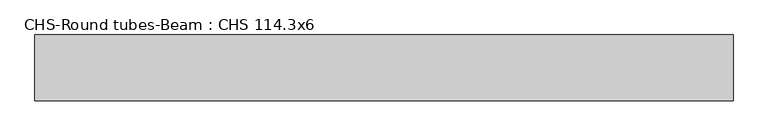
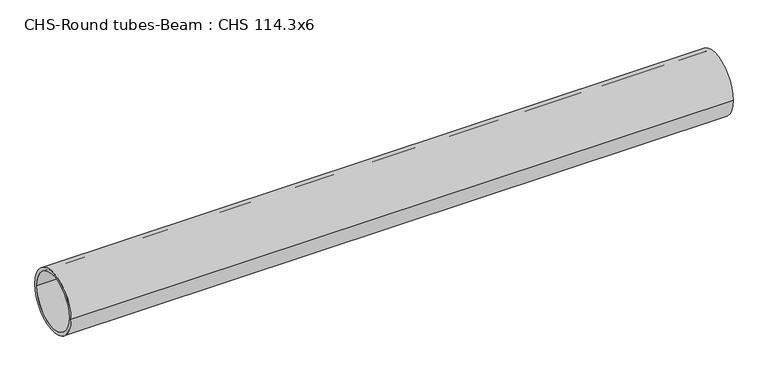
"""IFC4 building model written with IfcOpenShell, lengths in millimetres: beam geometry, CHS-Round tubes-Beam : CHS 114.3x6."""

from ifc_helpers import new_model, si_unit, point, frame, origin, origin_2d, place, context, project, spatial, circle_curve, trimmed, segment, composite_curve, outline, extrude, source, transform, mapped, element, save


def chs_round_tubes_beam_chs_114_3x6_3b22af44(model_context):
    return source(origin(), model_context, "Body", "SweptSolid", [
        extrude(outline(composite_curve([segment(trimmed(circle_curve(origin_2d(), 57.15), [point((57.15, 0.0))], [point((-57.15, 0.0))], False, "CARTESIAN"), True, "CONTINUOUS"), segment(trimmed(circle_curve(origin_2d(), 57.15), [point((-57.15, 0.0))], [point((57.15, 0.0))], False, "CARTESIAN"), True, "CONTINUOUS")], self_intersect=False), holes=[composite_curve([segment(trimmed(circle_curve(origin_2d(), 51.15), [point((51.15, 0.0))], [point((-51.15, 0.0))], True, "CARTESIAN"), True, "CONTINUOUS"), segment(trimmed(circle_curve(origin_2d(), 51.15), [point((-51.15, 0.0))], [point((51.15, 0.0))], True, "CARTESIAN"), True, "CONTINUOUS")], self_intersect=False)]), frame((-592.8002746, 0.0, 0.0), z_axis=(1.0, 0.0, 0.0), x_axis=(0.0, 1.0, 0.0)), (0.0, 0.0, 1.0), 1212.6866029),
    ])


if __name__ == "__main__":
    model = new_model("IFC4")
    model_context = context("Model", 3, world=origin())
    ifc_project = project(units=[si_unit("LENGTHUNIT", "METRE", prefix="MILLI")], contexts=[model_context])
    site = spatial("IfcSite", under=ifc_project)
    building = spatial("IfcBuilding", under=site)
    placement = place(None, origin())
    chs_round_tubes_beam_chs_114_3x6_shape = chs_round_tubes_beam_chs_114_3x6_3b22af44(model_context)
    element("IfcBeam", 1, ObjectType="CHS-Round tubes-Beam : CHS 114.3x6", at=placement, inside=building, context=model_context, shape_type="MappedRepresentation", body=[
        mapped(chs_round_tubes_beam_chs_114_3x6_shape, transform((0.0, 0.0, 0.0), x_axis=(1.0, 0.0, 0.0), y_axis=(0.0, 1.0, 0.0), z_axis=(0.0, 0.0, 1.0))),
    ])
    save(model, "model.ifc")
